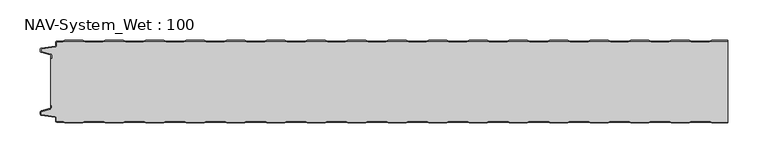
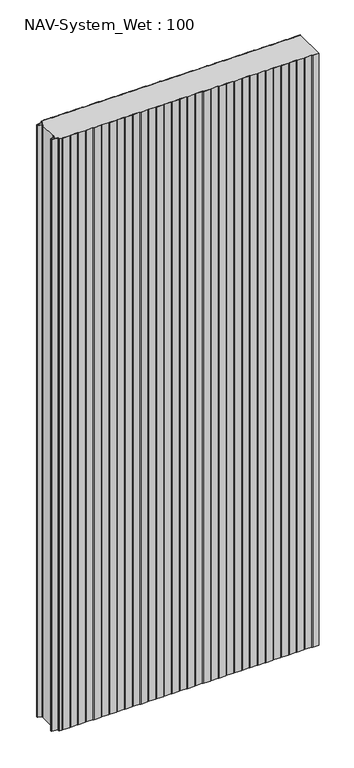
"""IFC4 building model written with IfcOpenShell, lengths in millimetres: plate geometry, NAV-System_Wet : 100."""

from ifc_helpers import new_model, si_unit, point, frame_2d, origin, origin_with_axes, place, context, project, spatial, polyline, circle_curve, trimmed, segment, composite_curve, outline, extrude, source, transform, mapped, element, save


def nav_system_wet_100_04def061(model_context):
    return source(origin(), model_context, "Body", "SweptSolid", [
        extrude(outline(composite_curve([segment(polyline([(405.3684327, 0.2), (402.3684327, -0.8), (380.3684327, -0.8), (377.3684327, 0.2), (355.3684327, 0.2), (352.3684327, -0.8), (330.3684327, -0.8), (327.3684327, 0.2), (305.3684327, 0.2), (302.3684327, -0.8), (280.3684327, -0.8), (277.3684327, 0.2), (255.3684327, 0.2), (252.3684327, -0.8), (230.3684327, -0.8), (227.3684327, 0.2), (205.3684327, 0.2), (202.3684327, -0.8), (180.3684327, -0.8), (177.3684327, 0.2), (155.3684327, 0.2), (152.3684327, -0.8), (130.3684327, -0.8), (127.3684327, 0.2), (105.3684327, 0.2), (102.3684327, -0.8), (80.3684327, -0.8), (77.3684327, 0.2), (55.3684327, 0.2), (52.3684327, -0.8), (30.3684327, -0.8), (27.3684327, 0.2), (5.3684327, 0.2), (2.3684327, -0.8), (-19.6315673, -0.8), (-22.6315673, 0.2), (-44.6315673, 0.2), (-47.6315673, -0.8), (-69.6315673, -0.8), (-72.6315673, 0.2), (-94.6315673, 0.2), (-97.6315673, -0.8), (-119.6315673, -0.8), (-122.6315673, 0.2), (-144.6315673, 0.2), (-147.6315673, -0.8), (-169.6315673, -0.8), (-172.6315673, 0.2), (-194.6315673, 0.2), (-197.6315673, -0.8), (-219.6315673, -0.8), (-222.6315673, 0.2), (-244.6315673, 0.2), (-247.6315673, -0.8), (-269.6315673, -0.8), (-272.6315673, 0.2), (-294.6315673, 0.2), (-297.6315673, -0.8), (-319.6315673, -0.8), (-322.6315673, 0.2), (-344.6315673, 0.2), (-347.6315673, -0.8), (-369.6315673, -0.8), (-372.6315673, 0.2), (-394.6315673, 0.2), (-397.6315673, -0.8), (-404.7, -0.8)]), True, "CONTINUOUS"), segment(trimmed(circle_curve(frame_2d((-404.7, -1.3)), 0.5), [point((-404.7, -0.8))], [point((-405.2, -1.3))], True, "CARTESIAN"), True, "CONTINUOUS"), segment(polyline([(-405.2, -1.3), (-405.2, -5.3964683)]), True, "CONTINUOUS"), segment(trimmed(circle_curve(frame_2d((-406.7, -5.3964683)), 1.5), [point((-405.2, -5.3964683))], [point((-406.4911207, -6.8818536))], False, "CARTESIAN"), True, "CONTINUOUS"), segment(polyline([(-406.4911207, -6.8818536), (-423.4352183, -9.2645825)]), True, "CONTINUOUS"), segment(trimmed(circle_curve(frame_2d((-423.3114909, -10.1444347)), 0.8885091), [point((-423.4352183, -9.2645825))], [point((-424.2, -10.1444347))], True, "CARTESIAN"), True, "CONTINUOUS"), segment(polyline([(-424.2, -10.1444347), (-424.2, -12.46995)]), True, "CONTINUOUS"), segment(trimmed(circle_curve(frame_2d((-423.6, -12.46995)), 0.6), [point((-424.2, -12.46995))], [point((-423.7552914, -13.0495055))], True, "CARTESIAN"), True, "CONTINUOUS"), segment(polyline([(-423.7552914, -13.0495055), (-412.3785632, -16.0978907)]), True, "CONTINUOUS"), segment(trimmed(circle_curve(frame_2d((-412.7667917, -17.5467794)), 1.5), [point((-412.3785632, -16.0978907))], [point((-411.2667917, -17.5467794))], False, "CARTESIAN"), True, "CONTINUOUS"), segment(polyline([(-411.2667917, -17.5467794), (-411.2667917, -21.0096505), (-412.0667917, -21.0096505), (-412.0667917, -17.5467794)]), True, "CONTINUOUS"), segment(trimmed(circle_curve(frame_2d((-412.7667917, -17.5467794)), 0.7), [point((-412.0667917, -17.5467794))], [point((-412.5856184, -16.8706313))], True, "CARTESIAN"), True, "CONTINUOUS"), segment(polyline([(-412.5856184, -16.8706313), (-424.0364648, -13.8023863)]), True, "CONTINUOUS"), segment(trimmed(circle_curve(frame_2d((-423.7, -12.5466827)), 1.3), [point((-424.0364648, -13.8023863))], [point((-425.0, -12.5466827))], False, "CARTESIAN"), True, "CONTINUOUS"), segment(polyline([(-425.0, -12.5466827), (-425.0, -9.8067363)]), True, "CONTINUOUS"), segment(trimmed(circle_curve(frame_2d((-423.7, -9.8067363)), 1.3), [point((-425.0, -9.8067363))], [point((-423.8810287, -8.5194024))], False, "CARTESIAN"), True, "CONTINUOUS"), segment(polyline([(-423.8810287, -8.5194024), (-406.602523, -6.0896481)]), True, "CONTINUOUS"), segment(trimmed(circle_curve(frame_2d((-406.7, -5.3964683)), 0.7), [point((-406.602523, -6.0896481))], [point((-406.0, -5.3964683))], True, "CARTESIAN"), True, "CONTINUOUS"), segment(polyline([(-406.0, -5.3964683), (-406.0, -1.3)]), True, "CONTINUOUS"), segment(trimmed(circle_curve(frame_2d((-404.7, -1.3)), 1.3), [point((-406.0, -1.3))], [point((-404.7, 0.0))], False, "CARTESIAN"), True, "CONTINUOUS"), segment(polyline([(-404.7, 0.0), (-397.7613895, 0.0), (-394.7613895, 1.0), (-372.5017452, 1.0), (-369.5017452, 0.0), (-347.7613895, 0.0), (-344.7613895, 1.0), (-322.5017452, 1.0), (-319.5017452, 0.0), (-297.7613895, 0.0), (-294.7613895, 1.0), (-272.5017452, 1.0), (-269.5017452, 0.0), (-247.7613895, 0.0), (-244.7613895, 1.0), (-222.5017452, 1.0), (-219.5017452, 0.0), (-197.7613895, 0.0), (-194.7613895, 1.0), (-172.5017452, 1.0), (-169.5017452, 0.0), (-147.7613895, 0.0), (-144.7613895, 1.0), (-122.5017452, 1.0), (-119.5017452, 0.0), (-97.7613895, 0.0), (-94.7613895, 1.0), (-72.5017452, 1.0), (-69.5017452, 0.0), (-47.7613895, 0.0), (-44.7613895, 1.0), (-22.5017452, 1.0), (-19.5017452, 0.0), (2.2386105, 0.0), (5.2386105, 1.0), (27.4982548, 1.0), (30.4982548, 0.0), (52.2386105, 0.0), (55.2386105, 1.0), (77.4982548, 1.0), (80.4982548, 0.0), (102.2386105, 0.0), (105.2386105, 1.0), (127.4982548, 1.0), (130.4982548, 0.0), (152.2386105, 0.0), (155.2386105, 1.0), (177.4982548, 1.0), (180.4982548, 0.0), (202.2386105, 0.0), (205.2386105, 1.0), (227.4982548, 1.0), (230.4982548, 0.0), (252.2386105, 0.0), (255.2386105, 1.0), (277.4982548, 1.0), (280.4982548, 0.0), (302.2386105, 0.0), (305.2386105, 1.0), (327.4982548, 1.0), (330.4982548, 0.0), (352.2386105, 0.0), (355.2386105, 1.0), (377.4982548, 1.0), (380.4982548, 0.0), (402.2386105, 0.0), (405.2386105, 1.0), (425.0, 1.0), (425.0, 0.2), (405.3684327, 0.2)]), True, "CONTINUOUS")], self_intersect=False)), origin_with_axes(), (0.0, 0.0, 1.0), 2000.0),
        extrude(outline(composite_curve([segment(polyline([(405.3684327, -100.2), (402.3684327, -99.2), (380.3684327, -99.2), (377.3684327, -100.2), (355.3684327, -100.2), (352.3684327, -99.2), (330.3684327, -99.2), (327.3684327, -100.2), (305.3684327, -100.2), (302.3684327, -99.2), (280.3684327, -99.2), (277.3684327, -100.2), (255.3684327, -100.2), (252.3684327, -99.2), (230.3684327, -99.2), (227.3684327, -100.2), (205.3684327, -100.2), (202.3684327, -99.2), (180.3684327, -99.2), (177.3684327, -100.2), (155.3684327, -100.2), (152.3684327, -99.2), (130.3684327, -99.2), (127.3684327, -100.2), (105.3684327, -100.2), (102.3684327, -99.2), (80.3684327, -99.2), (77.3684327, -100.2), (55.3684327, -100.2), (52.3684327, -99.2), (30.3684327, -99.2), (27.3684327, -100.2), (5.3684327, -100.2), (2.3684327, -99.2), (-19.6315673, -99.2), (-22.6315673, -100.2), (-44.6315673, -100.2), (-47.6315673, -99.2), (-69.6315673, -99.2), (-72.6315673, -100.2), (-94.6315673, -100.2), (-97.6315673, -99.2), (-119.6315673, -99.2), (-122.6315673, -100.2), (-144.6315673, -100.2), (-147.6315673, -99.2), (-169.6315673, -99.2), (-172.6315673, -100.2), (-194.6315673, -100.2), (-197.6315673, -99.2), (-219.6315673, -99.2), (-222.6315673, -100.2), (-244.6315673, -100.2), (-247.6315673, -99.2), (-269.6315673, -99.2), (-272.6315673, -100.2), (-294.6315673, -100.2), (-297.6315673, -99.2), (-319.6315673, -99.2), (-322.6315673, -100.2), (-344.6315673, -100.2), (-347.6315673, -99.2), (-369.6315673, -99.2), (-372.6315673, -100.2), (-394.6315673, -100.2), (-397.6315673, -99.2), (-404.7, -99.2)]), True, "CONTINUOUS"), segment(trimmed(circle_curve(frame_2d((-404.7, -98.7)), 0.5), [point((-404.7, -99.2))], [point((-405.2, -98.7))], False, "CARTESIAN"), True, "CONTINUOUS"), segment(polyline([(-405.2, -98.7), (-405.2, -94.6035317)]), True, "CONTINUOUS"), segment(trimmed(circle_curve(frame_2d((-406.7, -94.6035317)), 1.5), [point((-405.2, -94.6035317))], [point((-406.4911207, -93.1181464))], True, "CARTESIAN"), True, "CONTINUOUS"), segment(polyline([(-406.4911207, -93.1181464), (-423.4352183, -90.7354175)]), True, "CONTINUOUS"), segment(trimmed(circle_curve(frame_2d((-423.3114909, -89.8555653)), 0.8885091), [point((-423.4352183, -90.7354175))], [point((-424.2, -89.8555653))], False, "CARTESIAN"), True, "CONTINUOUS"), segment(polyline([(-424.2, -89.8555653), (-424.2, -87.53005)]), True, "CONTINUOUS"), segment(trimmed(circle_curve(frame_2d((-423.6, -87.53005)), 0.6), [point((-424.2, -87.53005))], [point((-423.7552914, -86.9504945))], False, "CARTESIAN"), True, "CONTINUOUS"), segment(polyline([(-423.7552914, -86.9504945), (-412.3785632, -83.9021093)]), True, "CONTINUOUS"), segment(trimmed(circle_curve(frame_2d((-412.7667917, -82.4532206)), 1.5), [point((-412.3785632, -83.9021093))], [point((-411.2667917, -82.4532206))], True, "CARTESIAN"), True, "CONTINUOUS"), segment(polyline([(-411.2667917, -82.4532206), (-411.2667917, -78.9903495), (-412.0667917, -78.9903495), (-412.0667917, -21.0096505), (-411.2667917, -21.0096505), (-411.2667917, -17.5467794)]), True, "CONTINUOUS"), segment(trimmed(circle_curve(frame_2d((-412.7667917, -17.5467794)), 1.5), [point((-411.2667917, -17.5467794))], [point((-412.3785632, -16.0978907))], True, "CARTESIAN"), True, "CONTINUOUS"), segment(polyline([(-412.3785632, -16.0978907), (-423.7552914, -13.0495055)]), True, "CONTINUOUS"), segment(trimmed(circle_curve(frame_2d((-423.6, -12.46995)), 0.6), [point((-423.7552914, -13.0495055))], [point((-424.2, -12.46995))], False, "CARTESIAN"), True, "CONTINUOUS"), segment(polyline([(-424.2, -12.46995), (-424.2, -10.1444347)]), True, "CONTINUOUS"), segment(trimmed(circle_curve(frame_2d((-423.3114909, -10.1444347)), 0.8885091), [point((-424.2, -10.1444347))], [point((-423.4352183, -9.2645825))], False, "CARTESIAN"), True, "CONTINUOUS"), segment(polyline([(-423.4352183, -9.2645825), (-406.4911207, -6.8818536)]), True, "CONTINUOUS"), segment(trimmed(circle_curve(frame_2d((-406.7, -5.3964683)), 1.5), [point((-406.4911207, -6.8818536))], [point((-405.2, -5.3964683))], True, "CARTESIAN"), True, "CONTINUOUS"), segment(polyline([(-405.2, -5.3964683), (-405.2, -1.3)]), True, "CONTINUOUS"), segment(trimmed(circle_curve(frame_2d((-404.7, -1.3)), 0.5), [point((-405.2, -1.3))], [point((-404.7, -0.8))], False, "CARTESIAN"), True, "CONTINUOUS"), segment(polyline([(-404.7, -0.8), (-397.6315673, -0.8), (-394.6315673, 0.2), (-372.6315673, 0.2), (-369.6315673, -0.8), (-347.6315673, -0.8), (-344.6315673, 0.2), (-322.6315673, 0.2), (-319.6315673, -0.8), (-297.6315673, -0.8), (-294.6315673, 0.2), (-272.6315673, 0.2), (-269.6315673, -0.8), (-247.6315673, -0.8), (-244.6315673, 0.2), (-222.6315673, 0.2), (-219.6315673, -0.8), (-197.6315673, -0.8), (-194.6315673, 0.2), (-172.6315673, 0.2), (-169.6315673, -0.8), (-147.6315673, -0.8), (-144.6315673, 0.2), (-122.6315673, 0.2), (-119.6315673, -0.8), (-97.6315673, -0.8), (-94.6315673, 0.2), (-72.6315673, 0.2), (-69.6315673, -0.8), (-47.6315673, -0.8), (-44.6315673, 0.2), (-22.6315673, 0.2), (-19.6315673, -0.8), (2.3684327, -0.8), (5.3684327, 0.2), (27.3684327, 0.2), (30.3684327, -0.8), (52.3684327, -0.8), (55.3684327, 0.2), (77.3684327, 0.2), (80.3684327, -0.8), (102.3684327, -0.8), (105.3684327, 0.2), (127.3684327, 0.2), (130.3684327, -0.8), (152.3684327, -0.8), (155.3684327, 0.2), (177.3684327, 0.2), (180.3684327, -0.8), (202.3684327, -0.8), (205.3684327, 0.2), (227.3684327, 0.2), (230.3684327, -0.8), (252.3684327, -0.8), (255.3684327, 0.2), (277.3684327, 0.2), (280.3684327, -0.8), (302.3684327, -0.8), (305.3684327, 0.2), (327.3684327, 0.2), (330.3684327, -0.8), (352.3684327, -0.8), (355.3684327, 0.2), (377.3684327, 0.2), (380.3684327, -0.8), (402.3684327, -0.8), (405.3684327, 0.2), (425.0, 0.2), (425.0, -100.2), (405.3684327, -100.2)]), True, "CONTINUOUS")], self_intersect=False)), origin_with_axes(), (0.0, 0.0, 1.0), 2000.0),
        extrude(outline(composite_curve([segment(polyline([(405.2386105, -101.0), (402.2386105, -100.0), (380.4982548, -100.0), (377.4982548, -101.0), (355.2386105, -101.0), (352.2386105, -100.0), (330.4982548, -100.0), (327.4982548, -101.0), (305.2386105, -101.0), (302.2386105, -100.0), (280.4982548, -100.0), (277.4982548, -101.0), (255.2386105, -101.0), (252.2386105, -100.0), (230.4982548, -100.0), (227.4982548, -101.0), (205.2386105, -101.0), (202.2386105, -100.0), (180.4982548, -100.0), (177.4982548, -101.0), (155.2386105, -101.0), (152.2386105, -100.0), (130.4982548, -100.0), (127.4982548, -101.0), (105.2386105, -101.0), (102.2386105, -100.0), (80.4982548, -100.0), (77.4982548, -101.0), (55.2386105, -101.0), (52.2386105, -100.0), (30.4982548, -100.0), (27.4982548, -101.0), (5.2386105, -101.0), (2.2386105, -100.0), (-19.5017452, -100.0), (-22.5017452, -101.0), (-44.7613895, -101.0), (-47.7613895, -100.0), (-69.5017452, -100.0), (-72.5017452, -101.0), (-94.7613895, -101.0), (-97.7613895, -100.0), (-119.5017452, -100.0), (-122.5017452, -101.0), (-144.7613895, -101.0), (-147.7613895, -100.0), (-169.5017452, -100.0), (-172.5017452, -101.0), (-194.7613895, -101.0), (-197.7613895, -100.0), (-219.5017452, -100.0), (-222.5017452, -101.0), (-244.7613895, -101.0), (-247.7613895, -100.0), (-269.5017452, -100.0), (-272.5017452, -101.0), (-294.7613895, -101.0), (-297.7613895, -100.0), (-319.5017452, -100.0), (-322.5017452, -101.0), (-344.7613895, -101.0), (-347.7613895, -100.0), (-369.5017452, -100.0), (-372.5017452, -101.0), (-394.7613895, -101.0), (-397.7613895, -100.0), (-404.7, -100.0)]), True, "CONTINUOUS"), segment(trimmed(circle_curve(frame_2d((-404.7, -98.7)), 1.3), [point((-404.7, -100.0))], [point((-406.0, -98.7))], False, "CARTESIAN"), True, "CONTINUOUS"), segment(polyline([(-406.0, -98.7), (-406.0, -94.6035317)]), True, "CONTINUOUS"), segment(trimmed(circle_curve(frame_2d((-406.7, -94.6035317)), 0.7), [point((-406.0, -94.6035317))], [point((-406.602523, -93.9103519))], True, "CARTESIAN"), True, "CONTINUOUS"), segment(polyline([(-406.602523, -93.9103519), (-423.8810287, -91.4805976)]), True, "CONTINUOUS"), segment(trimmed(circle_curve(frame_2d((-423.7, -90.1932637)), 1.3), [point((-423.8810287, -91.4805976))], [point((-425.0, -90.1932637))], False, "CARTESIAN"), True, "CONTINUOUS"), segment(polyline([(-425.0, -90.1932637), (-425.0, -87.4533173)]), True, "CONTINUOUS"), segment(trimmed(circle_curve(frame_2d((-423.7, -87.4533173)), 1.3), [point((-425.0, -87.4533173))], [point((-424.0364648, -86.1976137))], False, "CARTESIAN"), True, "CONTINUOUS"), segment(polyline([(-424.0364648, -86.1976137), (-412.5856184, -83.1293687)]), True, "CONTINUOUS"), segment(trimmed(circle_curve(frame_2d((-412.7667917, -82.4532206)), 0.7), [point((-412.5856184, -83.1293687))], [point((-412.0667917, -82.4532206))], True, "CARTESIAN"), True, "CONTINUOUS"), segment(polyline([(-412.0667917, -82.4532206), (-412.0667917, -78.9903495), (-411.2667917, -78.9903495), (-411.2667917, -82.4532206)]), True, "CONTINUOUS"), segment(trimmed(circle_curve(frame_2d((-412.7667917, -82.4532206)), 1.5), [point((-411.2667917, -82.4532206))], [point((-412.3785632, -83.9021093))], False, "CARTESIAN"), True, "CONTINUOUS"), segment(polyline([(-412.3785632, -83.9021093), (-423.7552914, -86.9504945)]), True, "CONTINUOUS"), segment(trimmed(circle_curve(frame_2d((-423.6, -87.53005)), 0.6), [point((-423.7552914, -86.9504945))], [point((-424.2, -87.53005))], True, "CARTESIAN"), True, "CONTINUOUS"), segment(polyline([(-424.2, -87.53005), (-424.2, -89.8555653)]), True, "CONTINUOUS"), segment(trimmed(circle_curve(frame_2d((-423.3114909, -89.8555653)), 0.8885091), [point((-424.2, -89.8555653))], [point((-423.4352183, -90.7354175))], True, "CARTESIAN"), True, "CONTINUOUS"), segment(polyline([(-423.4352183, -90.7354175), (-406.4911207, -93.1181464)]), True, "CONTINUOUS"), segment(trimmed(circle_curve(frame_2d((-406.7, -94.6035317)), 1.5), [point((-406.4911207, -93.1181464))], [point((-405.2, -94.6035317))], False, "CARTESIAN"), True, "CONTINUOUS"), segment(polyline([(-405.2, -94.6035317), (-405.2, -98.7)]), True, "CONTINUOUS"), segment(trimmed(circle_curve(frame_2d((-404.7, -98.7)), 0.5), [point((-405.2, -98.7))], [point((-404.7, -99.2))], True, "CARTESIAN"), True, "CONTINUOUS"), segment(polyline([(-404.7, -99.2), (-397.6315673, -99.2), (-394.6315673, -100.2), (-372.6315673, -100.2), (-369.6315673, -99.2), (-347.6315673, -99.2), (-344.6315673, -100.2), (-322.6315673, -100.2), (-319.6315673, -99.2), (-297.6315673, -99.2), (-294.6315673, -100.2), (-272.6315673, -100.2), (-269.6315673, -99.2), (-247.6315673, -99.2), (-244.6315673, -100.2), (-222.6315673, -100.2), (-219.6315673, -99.2), (-197.6315673, -99.2), (-194.6315673, -100.2), (-172.6315673, -100.2), (-169.6315673, -99.2), (-147.6315673, -99.2), (-144.6315673, -100.2), (-122.6315673, -100.2), (-119.6315673, -99.2), (-97.6315673, -99.2), (-94.6315673, -100.2), (-72.6315673, -100.2), (-69.6315673, -99.2), (-47.6315673, -99.2), (-44.6315673, -100.2), (-22.6315673, -100.2), (-19.6315673, -99.2), (2.3684327, -99.2), (5.3684327, -100.2), (27.3684327, -100.2), (30.3684327, -99.2), (52.3684327, -99.2), (55.3684327, -100.2), (77.3684327, -100.2), (80.3684327, -99.2), (102.3684327, -99.2), (105.3684327, -100.2), (127.3684327, -100.2), (130.3684327, -99.2), (152.3684327, -99.2), (155.3684327, -100.2), (177.3684327, -100.2), (180.3684327, -99.2), (202.3684327, -99.2), (205.3684327, -100.2), (227.3684327, -100.2), (230.3684327, -99.2), (252.3684327, -99.2), (255.3684327, -100.2), (277.3684327, -100.2), (280.3684327, -99.2), (302.3684327, -99.2), (305.3684327, -100.2), (327.3684327, -100.2), (330.3684327, -99.2), (352.3684327, -99.2), (355.3684327, -100.2), (377.3684327, -100.2), (380.3684327, -99.2), (402.3684327, -99.2), (405.3684327, -100.2), (425.0, -100.2), (425.0, -101.0), (405.2386105, -101.0)]), True, "CONTINUOUS")], self_intersect=False)), origin_with_axes(), (0.0, 0.0, 1.0), 2000.0),
    ])


if __name__ == "__main__":
    model = new_model("IFC4")
    model_context = context("Model", 3, world=origin())
    ifc_project = project(units=[si_unit("LENGTHUNIT", "METRE", prefix="MILLI")], contexts=[model_context])
    site = spatial("IfcSite", under=ifc_project)
    building = spatial("IfcBuilding", under=site)
    placement = place(None, origin())
    nav_system_wet_100_shape = nav_system_wet_100_04def061(model_context)
    element("IfcPlate", 1, ObjectType="NAV-System_Wet : 100", at=placement, inside=building, context=model_context, shape_type="MappedRepresentation", body=[
        mapped(nav_system_wet_100_shape, transform((0.0, 0.0, 0.0), x_axis=(1.0, 0.0, 0.0), y_axis=(0.0, 1.0, 0.0), z_axis=(0.0, 0.0, 1.0))),
    ])
    save(model, "model.ifc")
